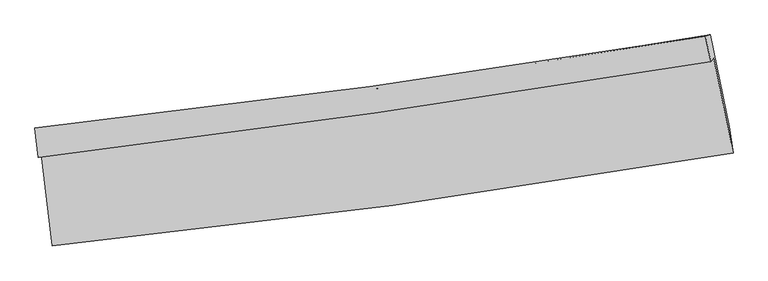
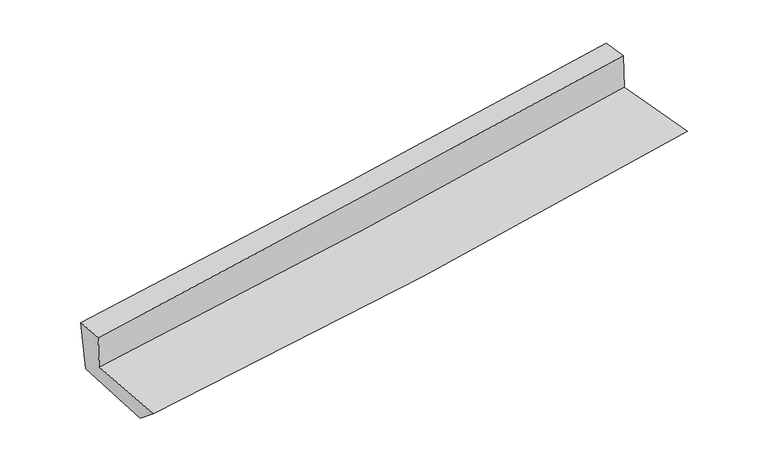
"""IFC4 building model written with IfcOpenShell, lengths in millimetres: proxy geometry."""

import ifcopenshell
import ifcopenshell.guid

model = None  # the IFC model being written
_history = None  # IfcOwnerHistory: only IFC2X3 demands one
_inside = {}  # id of a spatial element -> (the spatial element, [elements in it])
_under = {}  # id of a project, library or spatial element -> (it, [spatial elements below it])
_declared = {}  # id of a project -> (the project, [libraries it declares])
_typed = {}  # id of a type object -> (the type object, [elements of that type])
_made_of = {}  # id of a material, layer set ... -> (it, [elements and type objects made of it])


def new_model(schema):
    """Start an empty IFC model of exactly this schema.

    Asked for "IFC4X3", IfcOpenShell would pick the latest addendum, in which some entities
    have other attributes; the version numbers below select the first issue.
    IFC2X3 requires an IfcOwnerHistory on every rooted entity: one is made here for all.
    """
    global model, _history
    if schema == "IFC4X3":
        model = ifcopenshell.file(schema_version=(4, 3, 0, 0))
    else:
        model = ifcopenshell.file(schema=schema)
    _inside.clear()
    _under.clear()
    _declared.clear()
    _typed.clear()
    _made_of.clear()
    _history = None
    if model.schema == "IFC2X3":
        org = make("IfcOrganization", Name="unknown")
        user = make(
            "IfcPersonAndOrganization",
            ThePerson=make("IfcPerson", FamilyName="unknown"),
            TheOrganization=org,
        )
        app = make(
            "IfcApplication",
            ApplicationDeveloper=org,
            Version="unknown",
            ApplicationFullName="unknown",
            ApplicationIdentifier="unknown",
        )
        _history = make(
            "IfcOwnerHistory",
            OwningUser=user,
            OwningApplication=app,
            ChangeAction="ADDED",
            CreationDate=0,
        )
    return model


def make(cls, **values):
    """One entity of the class cls with the attributes given. An attribute that is None is left unset."""
    return model.create_entity(
        cls, **{name: value for name, value in values.items() if value is not None}
    )


def rooted(cls, **values):
    """An entity with a GlobalId (a new one), such as an element, a storey or a relation."""
    return make(cls, GlobalId=ifcopenshell.guid.new(), OwnerHistory=_history, **values)


def si_unit(unit_type, name, prefix=None):
    """IfcSIUnit, for example si_unit("LENGTHUNIT", "METRE", prefix="MILLI")."""
    return make("IfcSIUnit", UnitType=unit_type, Prefix=prefix, Name=name)


def assignment(units):
    """IfcUnitAssignment: the units of a project."""
    return None if units is None else make("IfcUnitAssignment", Units=units)


def point(xyz):
    """IfcCartesianPoint."""
    return None if xyz is None else make("IfcCartesianPoint", Coordinates=xyz)


def direction(xyz):
    """IfcDirection."""
    return None if xyz is None else make("IfcDirection", DirectionRatios=xyz)


def frame(location, z_axis=None, x_axis=None):
    """IfcAxis2Placement3D, a coordinate frame: its origin and axes. An axis left out is left unset."""
    return make(
        "IfcAxis2Placement3D",
        Location=point(location),
        Axis=direction(z_axis),
        RefDirection=direction(x_axis),
    )


def origin():
    """The frame at (0, 0, 0) with its axes left unset."""
    return frame((0.0, 0.0, 0.0))


def place(relative_to, where):
    """IfcLocalPlacement: puts the frame where relative to a parent placement (None: the world)."""
    return make(
        "IfcLocalPlacement", PlacementRelTo=relative_to, RelativePlacement=where
    )


def context(
    kind, dimensions, precision=None, world=None, true_north=None, identifier=None
):
    """IfcGeometricRepresentationContext, for example the 3D "Model" context."""
    return make(
        "IfcGeometricRepresentationContext",
        ContextIdentifier=identifier,
        ContextType=kind,
        CoordinateSpaceDimension=dimensions,
        Precision=precision,
        WorldCoordinateSystem=world,
        TrueNorth=true_north,
    )


def project(units=None, contexts=None):
    """IfcProject with its units and contexts."""
    return rooted(
        "IfcProject",
        Name="project",
        RepresentationContexts=contexts,
        UnitsInContext=assignment(units),
    )


def spatial(cls, under=None, at=None, **own):
    """A site, building, storey or space (cls), placed at a placement, below another one or the project."""
    s = rooted(cls, ObjectPlacement=at, **own)
    if under is not None:
        _under.setdefault(under.id(), (under, []))[1].append(s)
    return s


def shape(context_of_items, identifier, shape_type, items):
    """IfcShapeRepresentation: the items that make up one representation, for example the "Body"."""
    return make(
        "IfcShapeRepresentation",
        ContextOfItems=context_of_items,
        RepresentationIdentifier=identifier,
        RepresentationType=shape_type,
        Items=items,
    )


def source(mapping_origin, context_of_items, identifier, shape_type, items):
    """IfcRepresentationMap: a shape defined once, which mapped items show again and again."""
    return make(
        "IfcRepresentationMap",
        MappingOrigin=mapping_origin,
        MappedRepresentation=shape(context_of_items, identifier, shape_type, items),
    )


def transform(
    local_origin,
    x_axis=None,
    y_axis=None,
    z_axis=None,
    scale=None,
    scale2=None,
    scale3=None,
    uniform=True,
):
    """IfcCartesianTransformationOperator3D, or its non-uniform kind. x_axis, y_axis, z_axis: its Axis1, 2, 3."""
    if uniform:
        return make(
            "IfcCartesianTransformationOperator3D",
            Axis1=direction(x_axis),
            Axis2=direction(y_axis),
            LocalOrigin=point(local_origin),
            Scale=scale,
            Axis3=direction(z_axis),
        )
    return make(
        "IfcCartesianTransformationOperator3DnonUniform",
        Axis1=direction(x_axis),
        Axis2=direction(y_axis),
        LocalOrigin=point(local_origin),
        Scale=scale,
        Axis3=direction(z_axis),
        Scale2=scale2,
        Scale3=scale3,
    )


def mapped(mapping_source, mapping_target):
    """IfcMappedItem: shows the shape of a source again, moved by a transform."""
    return make(
        "IfcMappedItem", MappingSource=mapping_source, MappingTarget=mapping_target
    )


def made_of(thing, what):
    """Note that an element or type object is made of a material, layer set ...; save() writes the relation."""
    if what is not None:
        _made_of.setdefault(what.id(), (what, []))[1].append(thing)
    return thing


def element(
    cls,
    number,
    at=None,
    inside=None,
    cuts=None,
    type_object=None,
    material=None,
    context=None,
    identifier="Body",
    shape_type=None,
    held_by="IfcProductDefinitionShape",
    body=None,
    shapes=None,
    **own,
):
    """One element of the class cls, such as IfcWall. Its Tag is "e" and its number.

    at: its placement. inside: the storey or other place that contains it. cuts: it is an
    opening in that element (IfcRelVoidsElement). A single representation is given by context,
    identifier, shape_type and body (its items); several are given by shapes. held_by: the class
    of the entity that holds the representations. save() writes the other relations.
    """
    e = rooted(cls, Tag="e%d" % number, ObjectPlacement=at, **own)
    if body is not None:
        shapes = [shape(context, identifier, shape_type, body)]
    if shapes is not None:
        e.Representation = make(held_by, Representations=shapes)
    if inside is not None:
        _inside.setdefault(inside.id(), (inside, []))[1].append(e)
    if cuts is not None:
        rooted(
            "IfcRelVoidsElement", RelatingBuildingElement=cuts, RelatedOpeningElement=e
        )
    if type_object is not None:
        _typed.setdefault(type_object.id(), (type_object, []))[1].append(e)
    return made_of(e, material)


def aggregate(whole, parts):
    """IfcRelAggregates: a whole, such as a stair, and the parts it consists of."""
    return rooted("IfcRelAggregates", RelatingObject=whole, RelatedObjects=parts)


def save(model, path):
    """Write the relations noted so far, then the file.

    IfcRelAggregates (storeys below a building ...), IfcRelContainedInSpatialStructure (elements
    in a storey), IfcRelDefinesByType, IfcRelAssociatesMaterial and IfcRelDeclares: one each for
    every whole, place, type object, material and project.
    """
    for whole, parts in _under.values():
        aggregate(whole, parts)
    for where, things in _inside.values():
        rooted(
            "IfcRelContainedInSpatialStructure",
            RelatedElements=things,
            RelatingStructure=where,
        )
    for kind, things in _typed.values():
        rooted("IfcRelDefinesByType", RelatedObjects=things, RelatingType=kind)
    for what, things in _made_of.values():
        rooted("IfcRelAssociatesMaterial", RelatedObjects=things, RelatingMaterial=what)
    for by, libraries in _declared.values():
        rooted("IfcRelDeclares", RelatingContext=by, RelatedDefinitions=libraries)
    model.write(path)


def plane_surface(at):
    """IfcPlane: the flat surface through the origin of the frame at, square to its z axis."""
    return make("IfcPlane", Position=at)


def spline_curve(degree, points, multiplicities, knots, weights=None):
    """IfcBSplineCurveWithKnots; with weights, IfcRationalBSplineCurveWithKnots."""
    own = dict(
        Degree=degree,
        ControlPointsList=[point(p) for p in points],
        CurveForm="UNSPECIFIED",
        ClosedCurve=False,
        SelfIntersect=False,
        KnotMultiplicities=multiplicities,
        Knots=knots,
        KnotSpec="UNSPECIFIED",
    )
    if weights is None:
        return make("IfcBSplineCurveWithKnots", **own)
    return make("IfcRationalBSplineCurveWithKnots", WeightsData=weights, **own)


def spline_surface(u_degree, v_degree, points, u_multiplicities, v_multiplicities, u_knots, v_knots, weights=None):
    """IfcBSplineSurfaceWithKnots; with weights, IfcRationalBSplineSurfaceWithKnots. points: one row for each step in u."""
    own = dict(
        UDegree=u_degree,
        VDegree=v_degree,
        ControlPointsList=[[point(p) for p in row] for row in points],
        SurfaceForm="UNSPECIFIED",
        UClosed=False,
        VClosed=False,
        SelfIntersect=False,
        UMultiplicities=u_multiplicities,
        VMultiplicities=v_multiplicities,
        UKnots=u_knots,
        VKnots=v_knots,
        KnotSpec="UNSPECIFIED",
    )
    if weights is None:
        return make("IfcBSplineSurfaceWithKnots", **own)
    return make("IfcRationalBSplineSurfaceWithKnots", WeightsData=weights, **own)


def advanced_brep(points, edges, surfaces, faces):
    """IfcAdvancedBrep: a solid bounded by faces that lie on surfaces and meet in shared edges.

    An edge is (start, end): straight between two places in points (the first is 0);
    or (start, end, curve); or (start, end, curve, False) where it runs against its curve.
    A face is (place in surfaces, loops), or (place, loops, False) where it looks against
    its surface's normal. A loop lists edges by number (the first is 1), with a minus sign
    where the edge is run from its end to its start. The first loop is the outer one.
    """
    corners = [point(p) for p in points]
    vertices = [make("IfcVertexPoint", VertexGeometry=c) for c in corners]
    made = []
    for start, end, *more in edges:
        made.append(
            make(
                "IfcEdgeCurve",
                EdgeStart=vertices[start],
                EdgeEnd=vertices[end],
                EdgeGeometry=more[0] if more else make("IfcPolyline", Points=[corners[start], corners[end]]),
                SameSense=more[1] if len(more) > 1 else True,
            )
        )
    hull = []
    for where, loops, *sense in faces:
        bounds = []
        for j, loop in enumerate(loops):
            ring = [make("IfcOrientedEdge", EdgeElement=made[abs(k) - 1], Orientation=k > 0) for k in loop]
            bounds.append(
                make(
                    "IfcFaceOuterBound" if j == 0 else "IfcFaceBound",
                    Bound=make("IfcEdgeLoop", EdgeList=ring),
                    Orientation=True,
                )
            )
        hull.append(make("IfcAdvancedFace", Bounds=bounds, FaceSurface=surfaces[where], SameSense=sense[0] if sense else True))
    return make("IfcAdvancedBrep", Outer=make("IfcClosedShell", CfsFaces=hull))


def generic_models_23fc68b7(model_context):
    return source(origin(), model_context, "Body", "AdvancedBrep", [
        advanced_brep(
        [(-2276.0494825, -1832.023234, 1741.0139125), (-2203.592983, -2446.4294646, 1698.4968216), (2357.5611603, -1825.0294549, 2076.748098), (2228.0104847, -1188.2229308, 2101.2720926), (-2294.9864235, -1852.5179058, 2004.9066057), (2207.6549601, -1210.2528773, 2384.9332282), (-2318.1873808, -1655.7817569, 2018.5208047), (2172.4406558, -1038.9505554, 2395.7100846), (-2285.7118183, -1668.1146134, 1632.2452118), (2206.2428826, -1031.4639458, 1991.3489537), (-2211.568352, -2280.0412109, 1565.3068158), (2332.791276, -1647.0670087, 1952.620548)],
        [
            (0, 1),
            (1, 2, spline_curve(3, [(-2203.592983, -2446.4294646, 1698.4968216), (-1441.423266002, -2368.774232375, 1757.798974206), (-681.097150203, -2278.309341394, 1818.89568096), (839.304307599, -2071.292340463, 1944.963141926), (1599.362906277, -1954.623894756, 2009.950193996), (2357.5611603, -1825.0294549, 2076.748098)], [4, 2, 4], [0.0, 7.515914733710035, 15.065881541538973])),
            (2, 3),
            (3, 0, spline_curve(3, [(2228.0104847, -1188.2229308, 2101.2720926), (1478.797445924, -1318.201142264, 2042.912897733), (728.000680455, -1436.936179055, 1983.641874006), (-773.366895652, -1651.435090105, 1863.5476072), (-1523.923452721, -1747.300154561, 1802.732570988), (-2276.0494825, -1832.023234, 1741.0139125)], [4, 2, 4], [0.0, 7.5499668078289375, 15.065881541538973])),
            (4, 0),
            (3, 5),
            (5, 4, spline_curve(3, [(2207.6549601, -1210.2528773, 2384.9332282), (1457.135393568, -1333.909735117, 2330.406983587), (705.805591078, -1449.362720459, 2271.393277827), (-795.082162376, -1663.377227357, 2144.677349533), (-1544.632821006, -1762.012585074, 2077.015514146), (-2294.9864235, -1852.5179058, 2004.9066057)], [4, 2, 4], [0.0, 7.5045620726597315, 14.975276856923026])),
            (6, 4),
            (5, 7),
            (7, 6, spline_curve(3, [(2172.4406558, -1038.9505554, 2395.7100846), (1424.291161529, -1162.709410103, 2341.345994968), (675.149359541, -1276.084201094, 2282.650698851), (-821.735583435, -1481.601144011, 2156.881957666), (-1569.46979392, -1573.836753459, 2089.847493592), (-2318.1873808, -1655.7817569, 2018.5208047)], [4, 2, 4], [0.0, 7.491737746447024, 14.949686045136891])),
            (8, 6),
            (7, 9),
            (9, 8, spline_curve(3, [(2206.2428826, -1031.4639458, 1991.3489537), (1459.516923093, -1165.294037412, 1936.093743124), (710.97422387, -1285.352161809, 1878.467842161), (-786.36036048, -1497.445101754, 1758.745258563), (-1535.135895132, -1589.603866559, 1696.669911888), (-2285.7118183, -1668.1146134, 1632.2452118)], [4, 2, 4], [0.0, 7.481519218573449, 14.929295077283555])),
            (10, 8),
            (9, 11),
            (11, 10, spline_curve(3, [(2332.791276, -1647.0670087, 1952.620548), (1577.285512261, -1776.719634961, 1884.682946174), (819.975992545, -1894.385989412, 1818.368710856), (-694.826783952, -2105.269512089, 1689.278744132), (-1452.303807173, -2198.59455867, 1626.488401788), (-2211.568352, -2280.0412109, 1565.3068158)], [4, 2, 4], [0.0, 7.527697155650594, 15.021442678398238])),
            (1, 10),
            (11, 2),
        ],
        [
            spline_surface(3, 3, [[(-2276.0494825, -1832.023234, 1741.0139125), (-1523.923452697, -1747.30015451, 1802.732571012), (-773.366895661, -1651.435090169, 1863.547607298), (728.000680464, -1436.936178991, 1983.641873908), (1478.797445819, -1318.201142206, 2042.912897628), (2228.0104847, -1188.2229308, 2101.2720926)], [(-2251.897316018, -2036.82531088, 1726.841548878), (-1496.423390474, -1954.458180477, 1787.75470543), (-742.610313812, -1860.393173958, 1848.663631871), (765.101889527, -1648.38823279, 1970.748963247), (1518.985932607, -1530.342059671, 2031.925329725), (2271.194043232, -1400.491772143, 2093.097427715)], [(-2227.745149482, -2241.62738772, 1712.669185222), (-1468.923328195, -2161.616206405, 1772.776839815), (-711.853732035, -2069.351257713, 1833.779656416), (802.203098519, -1859.840286555, 1957.856052558), (1559.174419398, -1742.482977209, 2020.937761877), (2314.377601768, -1612.760613557, 2084.922762885)], [(-2203.592983, -2446.4294646, 1698.4968216), (-1441.423265972, -2368.774232373, 1757.798974233), (-681.097150187, -2278.309341502, 1818.895680989), (839.304307582, -2071.292340354, 1944.963141897), (1599.362906186, -1954.623894674, 2009.950193974), (2357.5611603, -1825.0294549, 2076.748098)]], [4, 4], [4, 2, 4], [0.0, 2.100252649720592], [0.0, 7.515914733710035, 15.065881541538973]),
            spline_surface(3, 3, [[(-2294.9864235, -1852.5179058, 2004.9066057), (-1544.632821059, -1762.012585045, 2077.015514235), (-795.08216237, -1663.377227435, 2144.677349426), (705.805591073, -1449.36272038, 2271.393277934), (1457.13539353, -1333.909735188, 2330.406983552), (2207.6549601, -1210.2528773, 2384.9332282)], [(-2288.674109811, -1845.686348519, 1916.942374631), (-1537.729698249, -1757.108441519, 1985.587866492), (-787.843740152, -1659.396515014, 2050.967435383), (713.203954185, -1445.220539918, 2175.476143259), (1464.356077626, -1328.673537557, 2234.575621576), (2214.440134966, -1202.90956183, 2290.379516332)], [(-2282.361796189, -1838.854791281, 1828.978143569), (-1530.826575507, -1752.204298036, 1894.160218756), (-780.605317879, -1655.41580259, 1957.257521341), (720.602317352, -1441.078359453, 2079.559008584), (1471.576761723, -1323.437339836, 2138.744259604), (2221.225309834, -1195.56624627, 2195.825804468)], [(-2276.0494825, -1832.023234, 1741.0139125), (-1523.923452697, -1747.30015451, 1802.732571012), (-773.366895661, -1651.435090169, 1863.547607298), (728.000680464, -1436.936178991, 1983.641873908), (1478.797445819, -1318.201142206, 2042.912897628), (2228.0104847, -1188.2229308, 2101.2720926)]], [4, 4], [4, 2, 4], [0.0, 0.9368822250417796], [0.0, 7.470714784263294, 14.975276856923026]),
            spline_surface(3, 3, [[(-2318.1873808, -1655.7817569, 2018.5208047), (-1569.469793799, -1573.83675345, 2089.847493692), (-821.735583476, -1481.60114392, 2156.881957596), (675.149359581, -1276.084201186, 2282.650698921), (1424.291161509, -1162.70941021, 2341.345994975), (2172.4406558, -1038.9505554, 2395.7100846)], [(-2310.453728397, -1721.360473207, 2013.982738351), (-1561.190802916, -1636.562030655, 2085.57016719), (-812.851109754, -1542.193171739, 2152.81375488), (685.368103432, -1333.843707564, 2278.898225266), (1435.239238871, -1219.776185191, 2337.699657826), (2184.178757255, -1096.051329355, 2392.117799125)], [(-2302.720075903, -1786.939189493, 2009.444672049), (-1552.911811941, -1699.28730784, 2081.292840737), (-803.966636092, -1602.785199617, 2148.745552142), (695.586847222, -1391.603214002, 2275.145751589), (1446.187316168, -1276.842960206, 2334.053320702), (2195.916858645, -1153.152103345, 2388.525513675)], [(-2294.9864235, -1852.5179058, 2004.9066057), (-1544.632821059, -1762.012585045, 2077.015514235), (-795.08216237, -1663.377227435, 2144.677349426), (705.805591073, -1449.36272038, 2271.393277934), (1457.13539353, -1333.909735188, 2330.406983552), (2207.6549601, -1210.2528773, 2384.9332282)]], [4, 4], [4, 2, 4], [0.0, 0.5911734831998269], [0.0, 7.4579482986898675, 14.949686045136891]),
            spline_surface(3, 3, [[(-2285.7118183, -1668.1146134, 1632.2452118), (-1535.135895112, -1589.603866492, 1696.669911964), (-786.360360553, -1497.445101734, 1758.745258477), (710.974223943, -1285.352161829, 1878.467842248), (1459.516923017, -1165.294037359, 1936.09374306), (2206.2428826, -1031.4639458, 1991.3489537)], [(-2296.53700577, -1664.003661231, 1761.003742766), (-1546.580527977, -1584.348162143, 1827.729105872), (-798.152101546, -1492.163782464, 1891.457491519), (699.032602471, -1282.262841615, 2013.195461142), (1447.775002519, -1164.432494963, 2071.177827047), (2194.975473671, -1033.95948232, 2126.135997349)], [(-2307.36219333, -1659.892709069, 1889.762273734), (-1558.025160934, -1579.092457799, 1958.788299784), (-809.943842483, -1486.88246319, 2024.169724553), (687.090981054, -1279.173521399, 2147.923080027), (1436.033082007, -1163.570952606, 2206.261910987), (2183.708064729, -1036.45501888, 2260.923040951)], [(-2318.1873808, -1655.7817569, 2018.5208047), (-1569.469793799, -1573.83675345, 2089.847493692), (-821.735583476, -1481.60114392, 2156.881957596), (675.149359581, -1276.084201186, 2282.650698921), (1424.291161509, -1162.70941021, 2341.345994975), (2172.4406558, -1038.9505554, 2395.7100846)]], [4, 4], [4, 2, 4], [0.0, 1.321998630414891], [0.0, 7.447775858710107, 14.929295077283555]),
            spline_surface(3, 3, [[(-2211.568352, -2280.0412109, 1565.3068158), (-1452.303807109, -2198.594558673, 1626.488401904), (-694.826784041, -2105.269512207, 1689.278744049), (819.975992634, -1894.385989294, 1818.368710939), (1577.285512234, -1776.719635029, 1884.682946245), (2332.791276, -1647.0670087, 1952.620548)], [(-2236.282840781, -2076.065678385, 1587.619614463), (-1479.914503125, -1995.597661264, 1649.882238587), (-725.337976205, -1902.661375397, 1712.434248838), (783.642069744, -1691.374713486, 1838.401754688), (1538.029315815, -1572.911102472, 1901.819878527), (2290.608478186, -1441.865987734, 1965.530016577)], [(-2260.997329519, -1872.090145915, 1609.932413137), (-1507.525199096, -1792.600763901, 1673.276075281), (-755.849168389, -1700.053238544, 1735.589753688), (747.308146834, -1488.363437636, 1858.434798499), (1498.773119436, -1369.102569915, 1918.956810778), (2248.425680414, -1236.664966766, 1978.439485123)], [(-2285.7118183, -1668.1146134, 1632.2452118), (-1535.135895112, -1589.603866492, 1696.669911964), (-786.360360553, -1497.445101734, 1758.745258477), (710.974223943, -1285.352161829, 1878.467842248), (1459.516923017, -1165.294037359, 1936.09374306), (2206.2428826, -1031.4639458, 1991.3489537)]], [4, 4], [4, 2, 4], [0.0, 2.034239638048156], [0.0, 7.493745522747644, 15.021442678398238]),
            spline_surface(3, 3, [[(-2203.592983, -2446.4294646, 1698.4968216), (-1441.423265972, -2368.774232373, 1757.798974233), (-681.097150187, -2278.309341502, 1818.895680989), (839.304307582, -2071.292340354, 1944.963141897), (1599.362906186, -1954.623894674, 2009.950193974), (2357.5611603, -1825.0294549, 2076.748098)], [(-2206.251439322, -2390.966713378, 1654.100153012), (-1445.050113006, -2312.047674484, 1714.028783469), (-685.673694818, -2220.629398396, 1775.690035343), (832.861535919, -2012.32355666, 1902.764998245), (1592.003774858, -1895.32247481, 1968.194444733), (2349.304532189, -1765.708639518, 2035.372248002)], [(-2208.909895678, -2335.503962122, 1609.703484388), (-1448.676960074, -2255.321116561, 1670.258592668), (-690.250239409, -2162.949455313, 1732.484389695), (826.418764297, -1953.354772988, 1860.566854591), (1584.644643563, -1836.021054893, 1926.438695486), (2341.047904111, -1706.387824082, 1993.996397998)], [(-2211.568352, -2280.0412109, 1565.3068158), (-1452.303807109, -2198.594558673, 1626.488401904), (-694.826784041, -2105.269512207, 1689.278744049), (819.975992634, -1894.385989294, 1818.368710939), (1577.285512234, -1776.719635029, 1884.682946245), (2332.791276, -1647.0670087, 1952.620548)]], [4, 4], [4, 2, 4], [0.0, 0.713547437570902], [0.0, 7.549153631319475, 15.132509930989578]),
            plane_surface(frame((2250.7835699, -1323.4977955, 2150.4388342), z_axis=(0.9769933006865426, 0.19547301235391887, 0.08529004546194092), x_axis=(-0.08328942376280579, -0.018447169182987, 0.9963546426039245))),
            plane_surface(frame((-2265.0160734, -1955.8180309, 1776.748362), z_axis=(-0.9905833433570576, -0.11130158511369372, -0.07972826985914898), x_axis=(-0.11684212219845502, 0.9907810676726946, 0.06856233967359093))),
        ],
        [
            (0, [[1, 2, 3, 4]]),
            (1, [[5, -4, 6, 7]]),
            (2, [[8, -7, 9, 10]]),
            (3, [[11, -10, 12, 13]]),
            (4, [[14, -13, 15, 16]]),
            (5, [[17, -16, 18, -2]]),
            (6, [[-12, -9, -6, -3, -18, -15]]),
            (7, [[-1, -5, -8, -11, -14, -17]]),
        ],
    ),
    ])


if __name__ == "__main__":
    model = new_model("IFC4")
    model_context = context("Model", 3, world=origin())
    ifc_project = project(units=[si_unit("LENGTHUNIT", "METRE", prefix="MILLI")], contexts=[model_context])
    site = spatial("IfcSite", under=ifc_project)
    building = spatial("IfcBuilding", under=site)
    placement = place(None, origin())
    generic_models_shape = generic_models_23fc68b7(model_context)
    element("IfcBuildingElementProxy", 1, Name="Generic Models", at=placement, inside=building, context=model_context, shape_type="MappedRepresentation", body=[
        mapped(generic_models_shape, transform((0.0, 0.0, 0.0), x_axis=(1.0, 0.0, 0.0), y_axis=(0.0, 1.0, 0.0), z_axis=(0.0, 0.0, 1.0))),
    ])
    save(model, "model.ifc")
